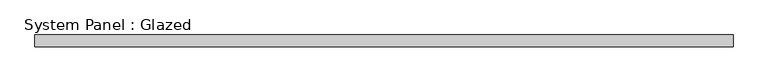
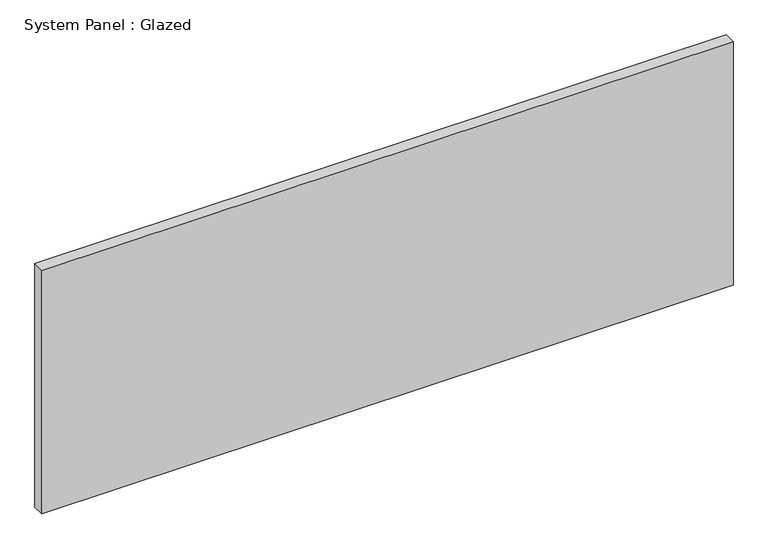
"""IFC4 building model written with IfcOpenShell, lengths in millimetres: plate geometry, System Panel : Glazed."""

from ifc_helpers import new_model, si_unit, origin, origin_with_axes, place, context, project, spatial, polyline, outline, extrude, source, transform, mapped, element, save


def system_panel_glazed_a66fdca6(model_context):
    return source(origin(), model_context, "Body", "SweptSolid", [
        extrude(outline(polyline([(749.5245515, -12.7), (-749.5245515, -12.7), (-749.5245515, 12.7), (749.5245515, 12.7), (749.5245515, -12.7)])), origin_with_axes(), (0.0, 0.0, 1.0), 558.8),
    ])


if __name__ == "__main__":
    model = new_model("IFC4")
    model_context = context("Model", 3, world=origin())
    ifc_project = project(units=[si_unit("LENGTHUNIT", "METRE", prefix="MILLI")], contexts=[model_context])
    site = spatial("IfcSite", under=ifc_project)
    building = spatial("IfcBuilding", under=site)
    placement = place(None, origin())
    system_panel_glazed_shape = system_panel_glazed_a66fdca6(model_context)
    element("IfcPlate", 1, ObjectType="System Panel : Glazed", at=placement, inside=building, context=model_context, shape_type="MappedRepresentation", body=[
        mapped(system_panel_glazed_shape, transform((0.0, 0.0, 0.0), x_axis=(1.0, 0.0, 0.0), y_axis=(0.0, 1.0, 0.0), z_axis=(0.0, 0.0, 1.0))),
    ])
    save(model, "model.ifc")
